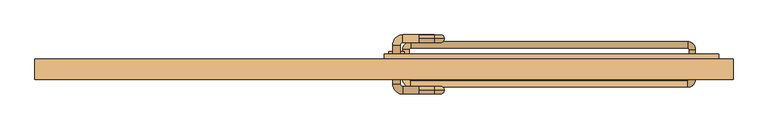
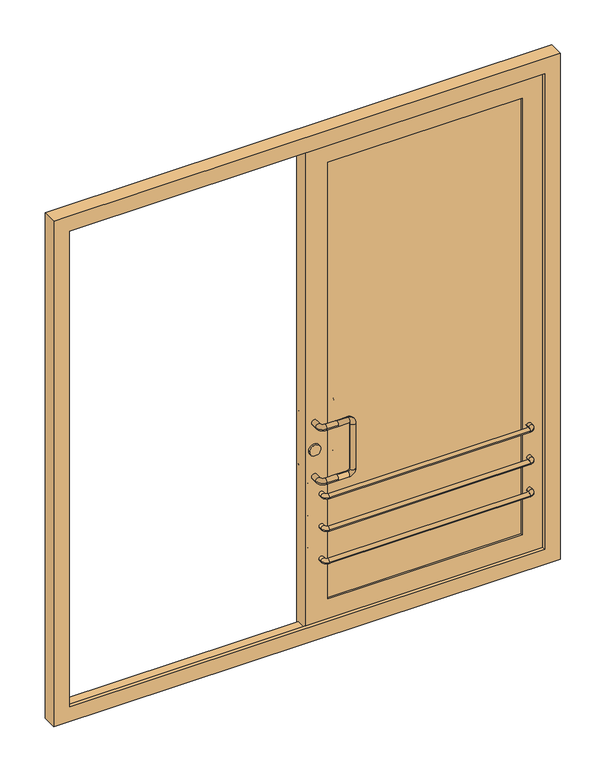
"""IFC4 building model written with IfcOpenShell, lengths in millimetres: door geometry."""

from ifc_helpers import new_model, si_unit, point, frame, frame_2d, origin, place, context, project, spatial, polyline, circle_curve, ellipse_curve, trimmed, segment, composite_curve, outline, extrude, faceted_brep, source, transform, mapped, element, save
from ifc_brep_helpers import cylinder_surface, revolved_surface, advanced_brep


def door_a14b544f(model_context):
    return source(origin(), model_context, "Body", "SolidModel", [
        advanced_brep(
        [(110.0, 109.5, 1000.0), (60.0, 109.5, 1000.0), (60.0, 85.5, 1000.0), (110.0, 85.5, 1000.0), (110.0, 97.5, 1012.0), (110.0, 97.5, 988.0), (28.0, 77.5, 1000.0), (52.0, 77.5, 1000.0), (28.0, -47.5, 1000.0), (52.0, -47.5, 1000.0), (60.0, -79.5, 1000.0), (60.0, -55.5, 1000.0), (110.0, -79.5, 1000.0), (110.0, -67.5, 1012.0), (110.0, -55.5, 1000.0), (110.0, -67.5, 988.0), (160.0, 97.5, 988.0), (160.0, 97.5, 1012.0), (168.0, 97.5, 980.0), (192.0, 97.5, 980.0), (168.0, 97.5, 770.0), (192.0, 97.5, 770.0), (160.0, 97.5, 762.0), (160.0, 97.5, 738.0), (110.0, 97.5, 762.0), (110.0, 85.5, 750.0), (110.0, 97.5, 738.0), (110.0, 109.5, 750.0), (60.0, 109.5, 750.0), (60.0, 85.5, 750.0), (28.0, 77.5, 750.0), (52.0, 77.5, 750.0), (28.0, -47.5, 750.0), (52.0, -47.5, 750.0), (60.0, -79.5, 750.0), (60.0, -55.5, 750.0), (110.0, -79.5, 750.0), (110.0, -67.5, 762.0), (110.0, -55.5, 750.0), (110.0, -67.5, 738.0), (160.0, -67.5, 988.0), (160.0, -67.5, 1012.0), (168.0, -67.5, 980.0), (192.0, -67.5, 980.0), (168.0, -67.5, 770.0), (192.0, -67.5, 770.0), (160.0, -67.5, 762.0), (160.0, -67.5, 738.0)],
        [
            (0, 1),
            (1, 2, circle_curve(frame((60.0, 97.5, 1000.0), z_axis=(1.0, 0.0, 0.0), x_axis=(0.0, -1.0, 0.0)), 12.0)),
            (2, 3),
            (3, 4, circle_curve(frame((110.0, 97.5, 1000.0), z_axis=(-1.0, 0.0, 0.0), x_axis=(0.0, -1.0, 0.0)), 12.0)),
            (4, 0, circle_curve(frame((110.0, 97.5, 1000.0), z_axis=(-1.0, 0.0, 0.0), x_axis=(0.0, -1.0, 0.0)), 12.0)),
            (0, 5, circle_curve(frame((110.0, 97.5, 1000.0), z_axis=(-1.0, 0.0, 0.0), x_axis=(0.0, -1.0, 0.0)), 12.0)),
            (5, 3, circle_curve(frame((110.0, 97.5, 1000.0), z_axis=(-1.0, 0.0, 0.0), x_axis=(0.0, -1.0, 0.0)), 12.0)),
            (2, 1, circle_curve(frame((60.0, 97.5, 1000.0), z_axis=(1.0, 0.0, 0.0), x_axis=(0.0, -1.0, 0.0)), 12.0)),
            (1, 6, circle_curve(frame((60.0, 77.5, 1000.0), z_axis=(0.0, 0.0, 1.0), x_axis=(0.0, 1.0, 0.0)), 32.0)),
            (6, 7, circle_curve(frame((40.0, 77.5, 1000.0), z_axis=(0.0, 1.0, 0.0), x_axis=(1.0, 0.0, 0.0)), 12.0)),
            (7, 2, circle_curve(frame((60.0, 77.5, 1000.0), z_axis=(0.0, 0.0, -1.0), x_axis=(0.0, 1.0, 0.0)), 8.0)),
            (7, 6, circle_curve(frame((40.0, 77.5, 1000.0), z_axis=(0.0, 1.0, 0.0), x_axis=(1.0, 0.0, 0.0)), 12.0)),
            (6, 8),
            (8, 9, circle_curve(frame((40.0, -47.5, 1000.0), z_axis=(0.0, 1.0, 0.0), x_axis=(1.0, 0.0, 0.0)), 12.0)),
            (9, 7),
            (9, 8, circle_curve(frame((40.0, -47.5, 1000.0), z_axis=(0.0, 1.0, 0.0), x_axis=(1.0, 0.0, 0.0)), 12.0)),
            (8, 10, circle_curve(frame((60.0, -47.5, 1000.0), z_axis=(0.0, 0.0, 1.0), x_axis=(-1.0, 0.0, 0.0)), 32.0)),
            (10, 11, circle_curve(frame((60.0, -67.5, 1000.0), z_axis=(-1.0, 0.0, 0.0), x_axis=(0.0, 1.0, 0.0)), 12.0)),
            (11, 9, circle_curve(frame((60.0, -47.5, 1000.0), z_axis=(0.0, 0.0, -1.0), x_axis=(-1.0, 0.0, 0.0)), 8.0)),
            (11, 10, circle_curve(frame((60.0, -67.5, 1000.0), z_axis=(-1.0, 0.0, 0.0), x_axis=(0.0, 1.0, 0.0)), 12.0)),
            (10, 12),
            (12, 13, circle_curve(frame((110.0, -67.5, 1000.0), z_axis=(-1.0, 0.0, 0.0), x_axis=(0.0, 1.0, 0.0)), 12.0)),
            (13, 14, circle_curve(frame((110.0, -67.5, 1000.0), z_axis=(-1.0, 0.0, 0.0), x_axis=(0.0, 1.0, 0.0)), 12.0)),
            (14, 11),
            (14, 15, circle_curve(frame((110.0, -67.5, 1000.0), z_axis=(-1.0, 0.0, 0.0), x_axis=(0.0, 1.0, 0.0)), 12.0)),
            (15, 12, circle_curve(frame((110.0, -67.5, 1000.0), z_axis=(-1.0, 0.0, 0.0), x_axis=(0.0, 1.0, 0.0)), 12.0)),
            (5, 16),
            (16, 17, circle_curve(frame((160.0, 97.5, 1000.0), z_axis=(-1.0, 0.0, 0.0), x_axis=(0.0, 0.0, 1.0)), 12.0)),
            (17, 4),
            (17, 16, circle_curve(frame((160.0, 97.5, 1000.0), z_axis=(-1.0, 0.0, 0.0), x_axis=(0.0, 0.0, 1.0)), 12.0)),
            (16, 18, circle_curve(frame((160.0, 97.5, 980.0), z_axis=(0.0, 1.0, 0.0), x_axis=(0.0, 0.0, 1.0)), 8.0)),
            (18, 19, circle_curve(frame((180.0, 97.5, 980.0), z_axis=(0.0, 0.0, 1.0), x_axis=(1.0, 0.0, 0.0)), 12.0)),
            (19, 17, circle_curve(frame((160.0, 97.5, 980.0), z_axis=(0.0, -1.0, 0.0), x_axis=(0.0, 0.0, 1.0)), 32.0)),
            (19, 18, circle_curve(frame((180.0, 97.5, 980.0), z_axis=(0.0, 0.0, 1.0), x_axis=(1.0, 0.0, 0.0)), 12.0)),
            (18, 20),
            (20, 21, circle_curve(frame((180.0, 97.5, 770.0), z_axis=(0.0, 0.0, 1.0), x_axis=(1.0, 0.0, 0.0)), 12.0)),
            (21, 19),
            (21, 20, circle_curve(frame((180.0, 97.5, 770.0), z_axis=(0.0, 0.0, 1.0), x_axis=(1.0, 0.0, 0.0)), 12.0)),
            (20, 22, circle_curve(frame((160.0, 97.5, 770.0), z_axis=(0.0, 1.0, 0.0), x_axis=(1.0, 0.0, 0.0)), 8.0)),
            (22, 23, circle_curve(frame((160.0, 97.5, 750.0), z_axis=(1.0, 0.0, 0.0), x_axis=(0.0, 0.0, -1.0)), 12.0)),
            (23, 21, circle_curve(frame((160.0, 97.5, 770.0), z_axis=(0.0, -1.0, 0.0), x_axis=(1.0, 0.0, 0.0)), 32.0)),
            (23, 22, circle_curve(frame((160.0, 97.5, 750.0), z_axis=(1.0, 0.0, 0.0), x_axis=(0.0, 0.0, -1.0)), 12.0)),
            (22, 24),
            (24, 25, circle_curve(frame((110.0, 97.5, 750.0), z_axis=(1.0, 0.0, 0.0), x_axis=(0.0, 0.0, -1.0)), 12.0)),
            (25, 26, circle_curve(frame((110.0, 97.5, 750.0), z_axis=(1.0, 0.0, 0.0), x_axis=(0.0, 0.0, -1.0)), 12.0)),
            (26, 23),
            (26, 27, circle_curve(frame((110.0, 97.5, 750.0), z_axis=(1.0, 0.0, 0.0), x_axis=(0.0, 0.0, -1.0)), 12.0)),
            (27, 24, circle_curve(frame((110.0, 97.5, 750.0), z_axis=(1.0, 0.0, 0.0), x_axis=(0.0, 0.0, -1.0)), 12.0)),
            (27, 28),
            (28, 29, circle_curve(frame((60.0, 97.5, 750.0), z_axis=(1.0, 0.0, 0.0), x_axis=(0.0, -1.0, 0.0)), 12.0)),
            (29, 25),
            (29, 28, circle_curve(frame((60.0, 97.5, 750.0), z_axis=(1.0, 0.0, 0.0), x_axis=(0.0, -1.0, 0.0)), 12.0)),
            (28, 30, circle_curve(frame((60.0, 77.5, 750.0), z_axis=(0.0, 0.0, 1.0), x_axis=(0.0, 1.0, 0.0)), 32.0)),
            (30, 31, circle_curve(frame((40.0, 77.5, 750.0), z_axis=(0.0, 1.0, 0.0), x_axis=(1.0, 0.0, 0.0)), 12.0)),
            (31, 29, circle_curve(frame((60.0, 77.5, 750.0), z_axis=(0.0, 0.0, -1.0), x_axis=(0.0, 1.0, 0.0)), 8.0)),
            (31, 30, circle_curve(frame((40.0, 77.5, 750.0), z_axis=(0.0, 1.0, 0.0), x_axis=(1.0, 0.0, 0.0)), 12.0)),
            (30, 32),
            (32, 33, circle_curve(frame((40.0, -47.5, 750.0), z_axis=(0.0, 1.0, 0.0), x_axis=(1.0, 0.0, 0.0)), 12.0)),
            (33, 31),
            (33, 32, circle_curve(frame((40.0, -47.5, 750.0), z_axis=(0.0, 1.0, 0.0), x_axis=(1.0, 0.0, 0.0)), 12.0)),
            (32, 34, circle_curve(frame((60.0, -47.5, 750.0), z_axis=(0.0, 0.0, 1.0), x_axis=(-1.0, 0.0, 0.0)), 32.0)),
            (34, 35, circle_curve(frame((60.0, -67.5, 750.0), z_axis=(-1.0, 0.0, 0.0), x_axis=(0.0, 1.0, 0.0)), 12.0)),
            (35, 33, circle_curve(frame((60.0, -47.5, 750.0), z_axis=(0.0, 0.0, -1.0), x_axis=(-1.0, 0.0, 0.0)), 8.0)),
            (35, 34, circle_curve(frame((60.0, -67.5, 750.0), z_axis=(-1.0, 0.0, 0.0), x_axis=(0.0, 1.0, 0.0)), 12.0)),
            (34, 36),
            (36, 37, circle_curve(frame((110.0, -67.5, 750.0), z_axis=(-1.0, 0.0, 0.0), x_axis=(0.0, 1.0, 0.0)), 12.0)),
            (37, 38, circle_curve(frame((110.0, -67.5, 750.0), z_axis=(-1.0, 0.0, 0.0), x_axis=(0.0, 1.0, 0.0)), 12.0)),
            (38, 35),
            (38, 39, circle_curve(frame((110.0, -67.5, 750.0), z_axis=(-1.0, 0.0, 0.0), x_axis=(0.0, 1.0, 0.0)), 12.0)),
            (39, 36, circle_curve(frame((110.0, -67.5, 750.0), z_axis=(-1.0, 0.0, 0.0), x_axis=(0.0, 1.0, 0.0)), 12.0)),
            (15, 40),
            (40, 41, circle_curve(frame((160.0, -67.5, 1000.0), z_axis=(-1.0, 0.0, 0.0), x_axis=(0.0, 0.0, 1.0)), 12.0)),
            (41, 13),
            (41, 40, circle_curve(frame((160.0, -67.5, 1000.0), z_axis=(-1.0, 0.0, 0.0), x_axis=(0.0, 0.0, 1.0)), 12.0)),
            (40, 42, circle_curve(frame((160.0, -67.5, 980.0), z_axis=(0.0, 1.0, 0.0), x_axis=(0.0, 0.0, 1.0)), 8.0)),
            (42, 43, circle_curve(frame((180.0, -67.5, 980.0), z_axis=(0.0, 0.0, 1.0), x_axis=(1.0, 0.0, 0.0)), 12.0)),
            (43, 41, circle_curve(frame((160.0, -67.5, 980.0), z_axis=(0.0, -1.0, 0.0), x_axis=(0.0, 0.0, 1.0)), 32.0)),
            (43, 42, circle_curve(frame((180.0, -67.5, 980.0), z_axis=(0.0, 0.0, 1.0), x_axis=(1.0, 0.0, 0.0)), 12.0)),
            (42, 44),
            (44, 45, circle_curve(frame((180.0, -67.5, 770.0), z_axis=(0.0, 0.0, 1.0), x_axis=(1.0, 0.0, 0.0)), 12.0)),
            (45, 43),
            (45, 44, circle_curve(frame((180.0, -67.5, 770.0), z_axis=(0.0, 0.0, 1.0), x_axis=(1.0, 0.0, 0.0)), 12.0)),
            (44, 46, circle_curve(frame((160.0, -67.5, 770.0), z_axis=(0.0, 1.0, 0.0), x_axis=(1.0, 0.0, 0.0)), 8.0)),
            (46, 47, circle_curve(frame((160.0, -67.5, 750.0), z_axis=(1.0, 0.0, 0.0), x_axis=(0.0, 0.0, -1.0)), 12.0)),
            (47, 45, circle_curve(frame((160.0, -67.5, 770.0), z_axis=(0.0, -1.0, 0.0), x_axis=(1.0, 0.0, 0.0)), 32.0)),
            (47, 46, circle_curve(frame((160.0, -67.5, 750.0), z_axis=(1.0, 0.0, 0.0), x_axis=(0.0, 0.0, -1.0)), 12.0)),
            (46, 37),
            (39, 47),
        ],
        [
            cylinder_surface(frame((110.0, 97.5, 1000.0), z_axis=(1.0, 0.0, 0.0), x_axis=(0.0, -1.0, 0.0)), 12.0),
            revolved_surface(trimmed(ellipse_curve(frame((60.0, 97.5, 1000.0), z_axis=(1.0, 0.0, 0.0), x_axis=(0.0, -1.0, 0.0)), 12.0, 12.0), [point((60.0, 109.5, 1000.0))], [point((60.0, 85.5, 1000.0))], True, "CARTESIAN"), (60.0, 77.5, 1000.0), (0.0, 0.0, 1.0)),
            revolved_surface(trimmed(ellipse_curve(frame((60.0, 97.5, 1000.0), z_axis=(1.0, 0.0, 0.0), x_axis=(0.0, -1.0, 0.0)), 12.0, 12.0), [point((60.0, 85.5, 1000.0))], [point((60.0, 109.5, 1000.0))], True, "CARTESIAN"), (60.0, 77.5, 1000.0), (0.0, 0.0, 1.0)),
            cylinder_surface(frame((40.0, 77.5, 1000.0), z_axis=(0.0, 1.0, 0.0), x_axis=(1.0, 0.0, 0.0)), 12.0),
            revolved_surface(trimmed(ellipse_curve(frame((40.0, -47.5, 1000.0), z_axis=(0.0, 1.0, 0.0), x_axis=(1.0, 0.0, 0.0)), 12.0, 12.0), [point((28.0, -47.5, 1000.0))], [point((52.0, -47.5, 1000.0))], True, "CARTESIAN"), (60.0, -47.5, 1000.0), (0.0, 0.0, 1.0)),
            revolved_surface(trimmed(ellipse_curve(frame((40.0, -47.5, 1000.0), z_axis=(0.0, 1.0, 0.0), x_axis=(1.0, 0.0, 0.0)), 12.0, 12.0), [point((52.0, -47.5, 1000.0))], [point((28.0, -47.5, 1000.0))], True, "CARTESIAN"), (60.0, -47.5, 1000.0), (0.0, 0.0, 1.0)),
            cylinder_surface(frame((60.0, -67.5, 1000.0), z_axis=(-1.0, 0.0, 0.0), x_axis=(0.0, 1.0, 0.0)), 12.0),
            cylinder_surface(frame((110.0, 97.5, 1000.0), z_axis=(-1.0, 0.0, 0.0), x_axis=(0.0, 0.0, 1.0)), 12.0),
            revolved_surface(trimmed(ellipse_curve(frame((160.0, 97.5, 1000.0), z_axis=(-1.0, 0.0, 0.0), x_axis=(0.0, 0.0, 1.0)), 12.0, 12.0), [point((160.0, 97.5, 988.0))], [point((160.0, 97.5, 1012.0))], True, "CARTESIAN"), (160.0, 97.5, 980.0), (0.0, 1.0, 0.0)),
            revolved_surface(trimmed(ellipse_curve(frame((160.0, 97.5, 1000.0), z_axis=(-1.0, 0.0, 0.0), x_axis=(0.0, 0.0, 1.0)), 12.0, 12.0), [point((160.0, 97.5, 1012.0))], [point((160.0, 97.5, 988.0))], True, "CARTESIAN"), (160.0, 97.5, 980.0), (0.0, 1.0, 0.0)),
            cylinder_surface(frame((180.0, 97.5, 980.0), z_axis=(0.0, 0.0, 1.0), x_axis=(1.0, 0.0, 0.0)), 12.0),
            revolved_surface(trimmed(ellipse_curve(frame((180.0, 97.5, 770.0), z_axis=(0.0, 0.0, 1.0), x_axis=(1.0, 0.0, 0.0)), 12.0, 12.0), [point((168.0, 97.5, 770.0))], [point((192.0, 97.5, 770.0))], True, "CARTESIAN"), (160.0, 97.5, 770.0), (0.0, 1.0, 0.0)),
            revolved_surface(trimmed(ellipse_curve(frame((180.0, 97.5, 770.0), z_axis=(0.0, 0.0, 1.0), x_axis=(1.0, 0.0, 0.0)), 12.0, 12.0), [point((192.0, 97.5, 770.0))], [point((168.0, 97.5, 770.0))], True, "CARTESIAN"), (160.0, 97.5, 770.0), (0.0, 1.0, 0.0)),
            cylinder_surface(frame((160.0, 97.5, 750.0), z_axis=(1.0, 0.0, 0.0), x_axis=(0.0, 0.0, -1.0)), 12.0),
            cylinder_surface(frame((110.0, 97.5, 750.0), z_axis=(1.0, 0.0, 0.0), x_axis=(0.0, -1.0, 0.0)), 12.0),
            revolved_surface(trimmed(ellipse_curve(frame((60.0, 97.5, 750.0), z_axis=(1.0, 0.0, 0.0), x_axis=(0.0, -1.0, 0.0)), 12.0, 12.0), [point((60.0, 109.5, 750.0))], [point((60.0, 85.5, 750.0))], True, "CARTESIAN"), (60.0, 77.5, 750.0), (0.0, 0.0, 1.0)),
            revolved_surface(trimmed(ellipse_curve(frame((60.0, 97.5, 750.0), z_axis=(1.0, 0.0, 0.0), x_axis=(0.0, -1.0, 0.0)), 12.0, 12.0), [point((60.0, 85.5, 750.0))], [point((60.0, 109.5, 750.0))], True, "CARTESIAN"), (60.0, 77.5, 750.0), (0.0, 0.0, 1.0)),
            cylinder_surface(frame((40.0, 77.5, 750.0), z_axis=(0.0, 1.0, 0.0), x_axis=(1.0, 0.0, 0.0)), 12.0),
            revolved_surface(trimmed(ellipse_curve(frame((40.0, -47.5, 750.0), z_axis=(0.0, 1.0, 0.0), x_axis=(1.0, 0.0, 0.0)), 12.0, 12.0), [point((28.0, -47.5, 750.0))], [point((52.0, -47.5, 750.0))], True, "CARTESIAN"), (60.0, -47.5, 750.0), (0.0, 0.0, 1.0)),
            revolved_surface(trimmed(ellipse_curve(frame((40.0, -47.5, 750.0), z_axis=(0.0, 1.0, 0.0), x_axis=(1.0, 0.0, 0.0)), 12.0, 12.0), [point((52.0, -47.5, 750.0))], [point((28.0, -47.5, 750.0))], True, "CARTESIAN"), (60.0, -47.5, 750.0), (0.0, 0.0, 1.0)),
            cylinder_surface(frame((60.0, -67.5, 750.0), z_axis=(-1.0, 0.0, 0.0), x_axis=(0.0, 1.0, 0.0)), 12.0),
            cylinder_surface(frame((110.0, -67.5, 1000.0), z_axis=(-1.0, 0.0, 0.0), x_axis=(0.0, 0.0, 1.0)), 12.0),
            revolved_surface(trimmed(ellipse_curve(frame((160.0, -67.5, 1000.0), z_axis=(-1.0, 0.0, 0.0), x_axis=(0.0, 0.0, 1.0)), 12.0, 12.0), [point((160.0, -67.5, 988.0))], [point((160.0, -67.5, 1012.0))], True, "CARTESIAN"), (160.0, -67.5, 980.0), (0.0, 1.0, 0.0)),
            revolved_surface(trimmed(ellipse_curve(frame((160.0, -67.5, 1000.0), z_axis=(-1.0, 0.0, 0.0), x_axis=(0.0, 0.0, 1.0)), 12.0, 12.0), [point((160.0, -67.5, 1012.0))], [point((160.0, -67.5, 988.0))], True, "CARTESIAN"), (160.0, -67.5, 980.0), (0.0, 1.0, 0.0)),
            cylinder_surface(frame((180.0, -67.5, 980.0), z_axis=(0.0, 0.0, 1.0), x_axis=(1.0, 0.0, 0.0)), 12.0),
            revolved_surface(trimmed(ellipse_curve(frame((180.0, -67.5, 770.0), z_axis=(0.0, 0.0, 1.0), x_axis=(1.0, 0.0, 0.0)), 12.0, 12.0), [point((168.0, -67.5, 770.0))], [point((192.0, -67.5, 770.0))], True, "CARTESIAN"), (160.0, -67.5, 770.0), (0.0, 1.0, 0.0)),
            revolved_surface(trimmed(ellipse_curve(frame((180.0, -67.5, 770.0), z_axis=(0.0, 0.0, 1.0), x_axis=(1.0, 0.0, 0.0)), 12.0, 12.0), [point((192.0, -67.5, 770.0))], [point((168.0, -67.5, 770.0))], True, "CARTESIAN"), (160.0, -67.5, 770.0), (0.0, 1.0, 0.0)),
            cylinder_surface(frame((160.0, -67.5, 750.0), z_axis=(1.0, 0.0, 0.0), x_axis=(0.0, 0.0, -1.0)), 12.0),
        ],
        [
            (0, [[1, 2, 3, 4, 5]]),
            (0, [[-1, 6, 7, -3, 8]]),
            (1, [[-2, 9, 10, 11]]),
            (2, [[-8, -11, 12, -9]]),
            (3, [[-10, 13, 14, 15]]),
            (3, [[-12, -15, 16, -13]]),
            (4, [[-14, 17, 18, 19]]),
            (5, [[-16, -19, 20, -17]]),
            (6, [[-18, 21, 22, 23, 24]]),
            (6, [[-20, -24, 25, 26, -21]]),
            (7, [[27, 28, 29, -4, -7]]),
            (7, [[-27, -6, -5, -29, 30]]),
            (8, [[-28, 31, 32, 33]]),
            (9, [[-30, -33, 34, -31]]),
            (10, [[-32, 35, 36, 37]]),
            (10, [[-34, -37, 38, -35]]),
            (11, [[-36, 39, 40, 41]]),
            (12, [[-38, -41, 42, -39]]),
            (13, [[-40, 43, 44, 45, 46]]),
            (13, [[-42, -46, 47, 48, -43]]),
            (14, [[49, 50, 51, -44, -48]]),
            (14, [[-49, -47, -45, -51, 52]]),
            (15, [[-50, 53, 54, 55]]),
            (16, [[-52, -55, 56, -53]]),
            (17, [[-54, 57, 58, 59]]),
            (17, [[-56, -59, 60, -57]]),
            (18, [[-58, 61, 62, 63]]),
            (19, [[-60, -63, 64, -61]]),
            (20, [[-62, 65, 66, 67, 68]]),
            (20, [[-64, -68, 69, 70, -65]]),
            (21, [[71, 72, 73, -22, -26]]),
            (21, [[-71, -25, -23, -73, 74]]),
            (22, [[-72, 75, 76, 77]]),
            (23, [[-74, -77, 78, -75]]),
            (24, [[-76, 79, 80, 81]]),
            (24, [[-78, -81, 82, -79]]),
            (25, [[-80, 83, 84, 85]]),
            (26, [[-82, -85, 86, -83]]),
            (27, [[-84, 87, -66, -70, 88]]),
            (27, [[-86, -88, -69, -67, -87]]),
        ],
    ),
        extrude(outline(composite_curve([segment(trimmed(circle_curve(frame_2d((875.0, 40.0)), 25.0), [point((875.0, 15.0))], [point((875.0, 65.0))], False, "CARTESIAN"), True, "CONTINUOUS"), segment(trimmed(circle_curve(frame_2d((875.0, 40.0)), 25.0), [point((875.0, 65.0))], [point((875.0, 15.0))], False, "CARTESIAN"), True, "CONTINUOUS")], self_intersect=False)), frame((0.0, -25.5, 0.0), z_axis=(0.0, 1.0, 0.0), x_axis=(0.0, 0.0, 1.0)), (0.0, 0.0, 1.0), 81.0),
        faceted_brep([(100.0, 47.5, 160.0), (100.0, -17.5, 160.0), (951.3125, -17.5, 160.0), (951.3125, 47.5, 160.0), (1066.3125, 47.5, 45.0), (1066.3125, 32.5, 45.0), (0.0, 32.5, 45.0), (0.0, 47.5, 45.0), (0.0, -17.5, 60.0), (0.0, 32.5, 60.0), (1051.3125, 32.5, 60.0), (1051.3125, -17.5, 60.0), (951.3125, -17.5, 2183.8125), (951.3125, 47.5, 2183.8125), (1066.3125, 47.5, 2298.8125), (1066.3125, 32.5, 2298.8125), (1051.3125, 32.5, 2283.8125), (1051.3125, -17.5, 2283.8125), (100.0, -17.5, 2183.8125), (100.0, 47.5, 2183.8125), (0.0, 47.5, 2298.8125), (0.0, 32.5, 2298.8125), (0.0, 32.5, 2283.8125), (0.0, -17.5, 2283.8125)], [[[0, 1, 2, 3]], [[4, 5, 6, 7]], [[8, 9, 10, 11]], [[3, 2, 12, 13]], [[5, 4, 14, 15]], [[11, 10, 16, 17]], [[13, 12, 18, 19]], [[15, 14, 20, 21]], [[17, 16, 22, 23]], [[1, 0, 19, 18]], [[14, 4, 7, 20], [0, 3, 13, 19]], [[10, 9, 6, 5, 15, 21, 22, 16]], [[9, 8, 23, 22, 21, 20, 7, 6]], [[8, 11, 17, 23], [2, 1, 18, 12]]]),
        advanced_brep(
        [(60.0, -32.5, 360.0), (80.0, -32.5, 360.0), (80.0, 62.5, 360.0), (60.0, 62.5, 360.0), (85.0, 87.5, 360.0), (85.0, 67.5, 360.0), (966.3125, 67.5, 360.0), (966.3125, 87.5, 360.0), (991.3125, 62.5, 360.0), (971.3125, 62.5, 360.0), (971.3125, -32.5, 360.0), (991.3125, -32.5, 360.0), (966.3125, -57.5, 360.0), (966.3125, -37.5, 360.0), (85.0, -37.5, 360.0), (85.0, -57.5, 360.0)],
        [
            (0, 1, circle_curve(frame((70.0, -32.5, 360.0), z_axis=(0.0, 1.0, 0.0), x_axis=(-1.0, 0.0, 0.0)), 10.0)),
            (1, 2),
            (2, 3, circle_curve(frame((70.0, 62.5, 360.0), z_axis=(0.0, -1.0, 0.0), x_axis=(-1.0, 0.0, 0.0)), 10.0)),
            (3, 0),
            (1, 0, circle_curve(frame((70.0, -32.5, 360.0), z_axis=(0.0, 1.0, 0.0), x_axis=(-1.0, 0.0, 0.0)), 10.0)),
            (3, 2, circle_curve(frame((70.0, 62.5, 360.0), z_axis=(0.0, -1.0, 0.0), x_axis=(-1.0, 0.0, 0.0)), 10.0)),
            (4, 3, circle_curve(frame((85.0, 62.5, 360.0), z_axis=(0.0, 0.0, 1.0), x_axis=(-1.0, 0.0, 0.0)), 25.0)),
            (2, 5, circle_curve(frame((85.0, 62.5, 360.0), z_axis=(0.0, 0.0, -1.0), x_axis=(-1.0, 0.0, 0.0)), 5.0)),
            (5, 4, circle_curve(frame((85.0, 77.5, 360.0), z_axis=(-1.0, 0.0, 0.0), x_axis=(0.0, 1.0, 0.0)), 10.0)),
            (4, 5, circle_curve(frame((85.0, 77.5, 360.0), z_axis=(-1.0, 0.0, 0.0), x_axis=(0.0, 1.0, 0.0)), 10.0)),
            (5, 6),
            (6, 7, circle_curve(frame((966.3125, 77.5, 360.0), z_axis=(-1.0, 0.0, 0.0), x_axis=(0.0, 1.0, 0.0)), 10.0)),
            (7, 4),
            (7, 6, circle_curve(frame((966.3125, 77.5, 360.0), z_axis=(-1.0, 0.0, 0.0), x_axis=(0.0, 1.0, 0.0)), 10.0)),
            (8, 7, circle_curve(frame((966.3125, 62.5, 360.0), z_axis=(0.0, 0.0, 1.0), x_axis=(0.0, 1.0, 0.0)), 25.0)),
            (6, 9, circle_curve(frame((966.3125, 62.5, 360.0), z_axis=(0.0, 0.0, -1.0), x_axis=(0.0, 1.0, 0.0)), 5.0)),
            (9, 8, circle_curve(frame((981.3125, 62.5, 360.0), z_axis=(0.0, 1.0, 0.0), x_axis=(1.0, 0.0, 0.0)), 10.0)),
            (8, 9, circle_curve(frame((981.3125, 62.5, 360.0), z_axis=(0.0, 1.0, 0.0), x_axis=(1.0, 0.0, 0.0)), 10.0)),
            (9, 10),
            (10, 11, circle_curve(frame((981.3125, -32.5, 360.0), z_axis=(0.0, 1.0, 0.0), x_axis=(1.0, 0.0, 0.0)), 10.0)),
            (11, 8),
            (11, 10, circle_curve(frame((981.3125, -32.5, 360.0), z_axis=(0.0, 1.0, 0.0), x_axis=(1.0, 0.0, 0.0)), 10.0)),
            (12, 11, circle_curve(frame((966.3125, -32.5, 360.0), z_axis=(0.0, 0.0, 1.0), x_axis=(1.0, 0.0, 0.0)), 25.0)),
            (10, 13, circle_curve(frame((966.3125, -32.5, 360.0), z_axis=(0.0, 0.0, -1.0), x_axis=(1.0, 0.0, 0.0)), 5.0)),
            (13, 12, circle_curve(frame((966.3125, -47.5, 360.0), z_axis=(1.0, 0.0, 0.0), x_axis=(0.0, -1.0, 0.0)), 10.0)),
            (12, 13, circle_curve(frame((966.3125, -47.5, 360.0), z_axis=(1.0, 0.0, 0.0), x_axis=(0.0, -1.0, 0.0)), 10.0)),
            (13, 14),
            (14, 15, circle_curve(frame((85.0, -47.5, 360.0), z_axis=(1.0, 0.0, 0.0), x_axis=(0.0, -1.0, 0.0)), 10.0)),
            (15, 12),
            (15, 14, circle_curve(frame((85.0, -47.5, 360.0), z_axis=(1.0, 0.0, 0.0), x_axis=(0.0, -1.0, 0.0)), 10.0)),
            (0, 15, circle_curve(frame((85.0, -32.5, 360.0), z_axis=(0.0, 0.0, 1.0), x_axis=(0.0, -1.0, 0.0)), 25.0)),
            (14, 1, circle_curve(frame((85.0, -32.5, 360.0), z_axis=(0.0, 0.0, -1.0), x_axis=(0.0, -1.0, 0.0)), 5.0)),
        ],
        [
            cylinder_surface(frame((70.0, -32.5, 360.0), z_axis=(0.0, -1.0, 0.0), x_axis=(-1.0, 0.0, 0.0)), 10.0),
            revolved_surface(trimmed(ellipse_curve(frame((70.0, 62.5, 360.0), z_axis=(0.0, -1.0, 0.0), x_axis=(-1.0, 0.0, 0.0)), 10.0, 10.0), [point((80.0, 62.5, 360.0))], [point((60.0, 62.5, 360.0))], True, "CARTESIAN"), (85.0, 62.5, 360.0), (0.0, 0.0, -1.0)),
            revolved_surface(trimmed(ellipse_curve(frame((70.0, 62.5, 360.0), z_axis=(0.0, -1.0, 0.0), x_axis=(-1.0, 0.0, 0.0)), 10.0, 10.0), [point((60.0, 62.5, 360.0))], [point((80.0, 62.5, 360.0))], True, "CARTESIAN"), (85.0, 62.5, 360.0), (0.0, 0.0, -1.0)),
            cylinder_surface(frame((85.0, 77.5, 360.0), z_axis=(-1.0, 0.0, 0.0), x_axis=(0.0, 1.0, 0.0)), 10.0),
            revolved_surface(trimmed(ellipse_curve(frame((966.3125, 77.5, 360.0), z_axis=(-1.0, 0.0, 0.0), x_axis=(0.0, 1.0, 0.0)), 10.0, 10.0), [point((966.3125, 67.5, 360.0))], [point((966.3125, 87.5, 360.0))], True, "CARTESIAN"), (966.3125, 62.5, 360.0), (0.0, 0.0, -1.0)),
            revolved_surface(trimmed(ellipse_curve(frame((966.3125, 77.5, 360.0), z_axis=(-1.0, 0.0, 0.0), x_axis=(0.0, 1.0, 0.0)), 10.0, 10.0), [point((966.3125, 87.5, 360.0))], [point((966.3125, 67.5, 360.0))], True, "CARTESIAN"), (966.3125, 62.5, 360.0), (0.0, 0.0, -1.0)),
            cylinder_surface(frame((981.3125, 62.5, 360.0), z_axis=(0.0, 1.0, 0.0), x_axis=(1.0, 0.0, 0.0)), 10.0),
            revolved_surface(trimmed(ellipse_curve(frame((981.3125, -32.5, 360.0), z_axis=(0.0, 1.0, 0.0), x_axis=(1.0, 0.0, 0.0)), 10.0, 10.0), [point((971.3125, -32.5, 360.0))], [point((991.3125, -32.5, 360.0))], True, "CARTESIAN"), (966.3125, -32.5, 360.0), (0.0, 0.0, -1.0)),
            revolved_surface(trimmed(ellipse_curve(frame((981.3125, -32.5, 360.0), z_axis=(0.0, 1.0, 0.0), x_axis=(1.0, 0.0, 0.0)), 10.0, 10.0), [point((991.3125, -32.5, 360.0))], [point((971.3125, -32.5, 360.0))], True, "CARTESIAN"), (966.3125, -32.5, 360.0), (0.0, 0.0, -1.0)),
            cylinder_surface(frame((966.3125, -47.5, 360.0), z_axis=(1.0, 0.0, 0.0), x_axis=(0.0, -1.0, 0.0)), 10.0),
            revolved_surface(trimmed(ellipse_curve(frame((85.0, -47.5, 360.0), z_axis=(1.0, 0.0, 0.0), x_axis=(0.0, -1.0, 0.0)), 10.0, 10.0), [point((85.0, -37.5, 360.0))], [point((85.0, -57.5, 360.0))], True, "CARTESIAN"), (85.0, -32.5, 360.0), (0.0, 0.0, -1.0)),
            revolved_surface(trimmed(ellipse_curve(frame((85.0, -47.5, 360.0), z_axis=(1.0, 0.0, 0.0), x_axis=(0.0, -1.0, 0.0)), 10.0, 10.0), [point((85.0, -57.5, 360.0))], [point((85.0, -37.5, 360.0))], True, "CARTESIAN"), (85.0, -32.5, 360.0), (0.0, 0.0, -1.0)),
        ],
        [
            (0, [[1, 2, 3, 4]]),
            (0, [[5, -4, 6, -2]]),
            (1, [[7, -3, 8, 9]]),
            (2, [[-8, -6, -7, 10]]),
            (3, [[-9, 11, 12, 13]]),
            (3, [[-10, -13, 14, -11]]),
            (4, [[15, -12, 16, 17]]),
            (5, [[-16, -14, -15, 18]]),
            (6, [[-17, 19, 20, 21]]),
            (6, [[-18, -21, 22, -19]]),
            (7, [[23, -20, 24, 25]]),
            (8, [[-24, -22, -23, 26]]),
            (9, [[-25, 27, 28, 29]]),
            (9, [[-26, -29, 30, -27]]),
            (10, [[31, -28, 32, -1]]),
            (11, [[-32, -30, -31, -5]]),
        ],
    ),
        advanced_brep(
        [(60.0, -32.5, 510.0), (80.0, -32.5, 510.0), (80.0, 62.5, 510.0), (60.0, 62.5, 510.0), (85.0, 87.5, 510.0), (85.0, 67.5, 510.0), (966.3125, 67.5, 510.0), (966.3125, 87.5, 510.0), (991.3125, 62.5, 510.0), (971.3125, 62.5, 510.0), (971.3125, -32.5, 510.0), (991.3125, -32.5, 510.0), (966.3125, -57.5, 510.0), (966.3125, -37.5, 510.0), (85.0, -37.5, 510.0), (85.0, -57.5, 510.0)],
        [
            (0, 1, circle_curve(frame((70.0, -32.5, 510.0), z_axis=(0.0, 1.0, 0.0), x_axis=(-1.0, 0.0, 0.0)), 10.0)),
            (1, 2),
            (2, 3, circle_curve(frame((70.0, 62.5, 510.0), z_axis=(0.0, -1.0, 0.0), x_axis=(-1.0, 0.0, 0.0)), 10.0)),
            (3, 0),
            (1, 0, circle_curve(frame((70.0, -32.5, 510.0), z_axis=(0.0, 1.0, 0.0), x_axis=(-1.0, 0.0, 0.0)), 10.0)),
            (3, 2, circle_curve(frame((70.0, 62.5, 510.0), z_axis=(0.0, -1.0, 0.0), x_axis=(-1.0, 0.0, 0.0)), 10.0)),
            (4, 3, circle_curve(frame((85.0, 62.5, 510.0), z_axis=(0.0, 0.0, 1.0), x_axis=(-1.0, 0.0, 0.0)), 25.0)),
            (2, 5, circle_curve(frame((85.0, 62.5, 510.0), z_axis=(0.0, 0.0, -1.0), x_axis=(-1.0, 0.0, 0.0)), 5.0)),
            (5, 4, circle_curve(frame((85.0, 77.5, 510.0), z_axis=(-1.0, 0.0, 0.0), x_axis=(0.0, 1.0, 0.0)), 10.0)),
            (4, 5, circle_curve(frame((85.0, 77.5, 510.0), z_axis=(-1.0, 0.0, 0.0), x_axis=(0.0, 1.0, 0.0)), 10.0)),
            (5, 6),
            (6, 7, circle_curve(frame((966.3125, 77.5, 510.0), z_axis=(-1.0, 0.0, 0.0), x_axis=(0.0, 1.0, 0.0)), 10.0)),
            (7, 4),
            (7, 6, circle_curve(frame((966.3125, 77.5, 510.0), z_axis=(-1.0, 0.0, 0.0), x_axis=(0.0, 1.0, 0.0)), 10.0)),
            (8, 7, circle_curve(frame((966.3125, 62.5, 510.0), z_axis=(0.0, 0.0, 1.0), x_axis=(0.0, 1.0, 0.0)), 25.0)),
            (6, 9, circle_curve(frame((966.3125, 62.5, 510.0), z_axis=(0.0, 0.0, -1.0), x_axis=(0.0, 1.0, 0.0)), 5.0)),
            (9, 8, circle_curve(frame((981.3125, 62.5, 510.0), z_axis=(0.0, 1.0, 0.0), x_axis=(1.0, 0.0, 0.0)), 10.0)),
            (8, 9, circle_curve(frame((981.3125, 62.5, 510.0), z_axis=(0.0, 1.0, 0.0), x_axis=(1.0, 0.0, 0.0)), 10.0)),
            (9, 10),
            (10, 11, circle_curve(frame((981.3125, -32.5, 510.0), z_axis=(0.0, 1.0, 0.0), x_axis=(1.0, 0.0, 0.0)), 10.0)),
            (11, 8),
            (11, 10, circle_curve(frame((981.3125, -32.5, 510.0), z_axis=(0.0, 1.0, 0.0), x_axis=(1.0, 0.0, 0.0)), 10.0)),
            (12, 11, circle_curve(frame((966.3125, -32.5, 510.0), z_axis=(0.0, 0.0, 1.0), x_axis=(1.0, 1.264444445123043e-12, 0.0)), 25.0)),
            (10, 13, circle_curve(frame((966.3125, -32.5, 510.0), z_axis=(0.0, 0.0, -1.0), x_axis=(1.0, 1.264444445123043e-12, 0.0)), 5.0)),
            (13, 12, circle_curve(frame((966.3125, -47.5, 510.0), z_axis=(1.0, 0.0, 0.0), x_axis=(0.0, -1.0, 0.0)), 10.0)),
            (12, 13, circle_curve(frame((966.3125, -47.5, 510.0), z_axis=(1.0, 0.0, 0.0), x_axis=(0.0, -1.0, 0.0)), 10.0)),
            (13, 14),
            (14, 15, circle_curve(frame((85.0, -47.5, 510.0), z_axis=(1.0, 0.0, 0.0), x_axis=(0.0, -1.0, 0.0)), 10.0)),
            (15, 12),
            (15, 14, circle_curve(frame((85.0, -47.5, 510.0), z_axis=(1.0, 0.0, 0.0), x_axis=(0.0, -1.0, 0.0)), 10.0)),
            (0, 15, circle_curve(frame((85.0, -32.5, 510.0), z_axis=(0.0, 0.0, 1.0), x_axis=(0.0, -1.0, 0.0)), 25.0)),
            (14, 1, circle_curve(frame((85.0, -32.5, 510.0), z_axis=(0.0, 0.0, -1.0), x_axis=(0.0, -1.0, 0.0)), 5.0)),
        ],
        [
            cylinder_surface(frame((70.0, -32.5, 510.0), z_axis=(0.0, -1.0, 0.0), x_axis=(-1.0, 0.0, 0.0)), 10.0),
            revolved_surface(trimmed(ellipse_curve(frame((70.0, 62.5, 510.0), z_axis=(0.0, -1.0, 0.0), x_axis=(-1.0, 0.0, 0.0)), 10.0, 10.0), [point((80.0, 62.5, 510.0))], [point((60.0, 62.5, 510.0))], True, "CARTESIAN"), (85.0, 62.5, 510.0), (0.0, 0.0, -1.0)),
            revolved_surface(trimmed(ellipse_curve(frame((70.0, 62.5, 510.0), z_axis=(0.0, -1.0, 0.0), x_axis=(-1.0, 0.0, 0.0)), 10.0, 10.0), [point((60.0, 62.5, 510.0))], [point((80.0, 62.5, 510.0))], True, "CARTESIAN"), (85.0, 62.5, 510.0), (0.0, 0.0, -1.0)),
            cylinder_surface(frame((85.0, 77.5, 510.0), z_axis=(-1.0, 0.0, 0.0), x_axis=(0.0, 1.0, 0.0)), 10.0),
            revolved_surface(trimmed(ellipse_curve(frame((966.3125, 77.5, 510.0), z_axis=(-1.0, 0.0, 0.0), x_axis=(0.0, 1.0, 0.0)), 10.0, 10.0), [point((966.3125, 67.5, 510.0))], [point((966.3125, 87.5, 510.0))], True, "CARTESIAN"), (966.3125, 62.5, 510.0), (0.0, 0.0, -1.0)),
            revolved_surface(trimmed(ellipse_curve(frame((966.3125, 77.5, 510.0), z_axis=(-1.0, 0.0, 0.0), x_axis=(0.0, 1.0, 0.0)), 10.0, 10.0), [point((966.3125, 87.5, 510.0))], [point((966.3125, 67.5, 510.0))], True, "CARTESIAN"), (966.3125, 62.5, 510.0), (0.0, 0.0, -1.0)),
            cylinder_surface(frame((981.3125, 62.5, 510.0), z_axis=(0.0, 1.0, 0.0), x_axis=(1.0, 0.0, 0.0)), 10.0),
            revolved_surface(trimmed(ellipse_curve(frame((981.3125, -32.5, 510.0), z_axis=(-1.2644444451230432e-12, 1.0, 0.0), x_axis=(1.0, 1.2644444451230432e-12, 0.0)), 10.0, 10.0), [point((971.3125, -32.5, 510.0))], [point((991.3125, -32.5, 510.0))], True, "CARTESIAN"), (966.3125, -32.5, 510.0), (0.0, 0.0, -1.0)),
            revolved_surface(trimmed(ellipse_curve(frame((981.3125, -32.5, 510.0), z_axis=(-1.2644444451230432e-12, 1.0, 0.0), x_axis=(1.0, 1.2644444451230432e-12, 0.0)), 10.0, 10.0), [point((991.3125, -32.5, 510.0))], [point((971.3125, -32.5, 510.0))], True, "CARTESIAN"), (966.3125, -32.5, 510.0), (0.0, 0.0, -1.0)),
            cylinder_surface(frame((966.3125, -47.5, 510.0), z_axis=(1.0, 0.0, 0.0), x_axis=(0.0, -1.0, 0.0)), 10.0),
            revolved_surface(trimmed(ellipse_curve(frame((85.0, -47.5, 510.0), z_axis=(1.0, 0.0, 0.0), x_axis=(0.0, -1.0, 0.0)), 10.0, 10.0), [point((85.0, -37.5, 510.0))], [point((85.0, -57.5, 510.0))], True, "CARTESIAN"), (85.0, -32.5, 510.0), (0.0, 0.0, -1.0)),
            revolved_surface(trimmed(ellipse_curve(frame((85.0, -47.5, 510.0), z_axis=(1.0, 0.0, 0.0), x_axis=(0.0, -1.0, 0.0)), 10.0, 10.0), [point((85.0, -57.5, 510.0))], [point((85.0, -37.5, 510.0))], True, "CARTESIAN"), (85.0, -32.5, 510.0), (0.0, 0.0, -1.0)),
        ],
        [
            (0, [[1, 2, 3, 4]]),
            (0, [[5, -4, 6, -2]]),
            (1, [[7, -3, 8, 9]]),
            (2, [[-8, -6, -7, 10]]),
            (3, [[-9, 11, 12, 13]]),
            (3, [[-10, -13, 14, -11]]),
            (4, [[15, -12, 16, 17]]),
            (5, [[-16, -14, -15, 18]]),
            (6, [[-17, 19, 20, 21]]),
            (6, [[-18, -21, 22, -19]]),
            (7, [[23, -20, 24, 25]]),
            (8, [[-24, -22, -23, 26]]),
            (9, [[-25, 27, 28, 29]]),
            (9, [[-26, -29, 30, -27]]),
            (10, [[31, -28, 32, -1]]),
            (11, [[-32, -30, -31, -5]]),
        ],
    ),
        advanced_brep(
        [(60.0, -32.5, 660.0), (80.0, -32.5, 660.0), (80.0, 62.5, 660.0), (60.0, 62.5, 660.0), (85.0, 87.5, 660.0), (85.0, 67.5, 660.0), (966.3125, 67.5, 660.0), (966.3125, 87.5, 660.0), (991.3125, 62.5, 660.0), (971.3125, 62.5, 660.0), (971.3125, -32.5, 660.0), (991.3125, -32.5, 660.0), (966.3125, -57.5, 660.0), (966.3125, -37.5, 660.0), (85.0, -37.5, 660.0), (85.0, -57.5, 660.0)],
        [
            (0, 1, circle_curve(frame((70.0, -32.5, 660.0), z_axis=(0.0, 1.0, 0.0), x_axis=(-1.0, 0.0, 0.0)), 10.0)),
            (1, 2),
            (2, 3, circle_curve(frame((70.0, 62.5, 660.0), z_axis=(0.0, -1.0, 0.0), x_axis=(-1.0, 0.0, 0.0)), 10.0)),
            (3, 0),
            (1, 0, circle_curve(frame((70.0, -32.5, 660.0), z_axis=(0.0, 1.0, 0.0), x_axis=(-1.0, 0.0, 0.0)), 10.0)),
            (3, 2, circle_curve(frame((70.0, 62.5, 660.0), z_axis=(0.0, -1.0, 0.0), x_axis=(-1.0, 0.0, 0.0)), 10.0)),
            (4, 3, circle_curve(frame((85.0, 62.5, 660.0), z_axis=(0.0, 0.0, 1.0), x_axis=(-1.0, 0.0, 0.0)), 25.0)),
            (2, 5, circle_curve(frame((85.0, 62.5, 660.0), z_axis=(0.0, 0.0, -1.0), x_axis=(-1.0, 0.0, 0.0)), 5.0)),
            (5, 4, circle_curve(frame((85.0, 77.5, 660.0), z_axis=(-1.0, 0.0, 0.0), x_axis=(0.0, 1.0, 0.0)), 10.0)),
            (4, 5, circle_curve(frame((85.0, 77.5, 660.0), z_axis=(-1.0, 0.0, 0.0), x_axis=(0.0, 1.0, 0.0)), 10.0)),
            (5, 6),
            (6, 7, circle_curve(frame((966.3125, 77.5, 660.0), z_axis=(-1.0, 0.0, 0.0), x_axis=(0.0, 1.0, 0.0)), 10.0)),
            (7, 4),
            (7, 6, circle_curve(frame((966.3125, 77.5, 660.0), z_axis=(-1.0, 0.0, 0.0), x_axis=(0.0, 1.0, 0.0)), 10.0)),
            (8, 7, circle_curve(frame((966.3125, 62.5, 660.0), z_axis=(0.0, 0.0, 1.0), x_axis=(0.0, 1.0, 0.0)), 25.0)),
            (6, 9, circle_curve(frame((966.3125, 62.5, 660.0), z_axis=(0.0, 0.0, -1.0), x_axis=(0.0, 1.0, 0.0)), 5.0)),
            (9, 8, circle_curve(frame((981.3125, 62.5, 660.0), z_axis=(0.0, 1.0, 0.0), x_axis=(1.0, 0.0, 0.0)), 10.0)),
            (8, 9, circle_curve(frame((981.3125, 62.5, 660.0), z_axis=(0.0, 1.0, 0.0), x_axis=(1.0, 0.0, 0.0)), 10.0)),
            (9, 10),
            (10, 11, circle_curve(frame((981.3125, -32.5, 660.0), z_axis=(0.0, 1.0, 0.0), x_axis=(1.0, 0.0, 0.0)), 10.0)),
            (11, 8),
            (11, 10, circle_curve(frame((981.3125, -32.5, 660.0), z_axis=(0.0, 1.0, 0.0), x_axis=(1.0, 0.0, 0.0)), 10.0)),
            (12, 11, circle_curve(frame((966.3125, -32.5, 660.0), z_axis=(0.0, 0.0, 1.0), x_axis=(1.0, 1.5353388631315812e-12, 0.0)), 25.0)),
            (10, 13, circle_curve(frame((966.3125, -32.5, 660.0), z_axis=(0.0, 0.0, -1.0), x_axis=(1.0, 1.5353388631315812e-12, 0.0)), 5.0)),
            (13, 12, circle_curve(frame((966.3125, -47.5, 660.0), z_axis=(1.0, 0.0, 0.0), x_axis=(0.0, -1.0, 0.0)), 10.0)),
            (12, 13, circle_curve(frame((966.3125, -47.5, 660.0), z_axis=(1.0, 0.0, 0.0), x_axis=(0.0, -1.0, 0.0)), 10.0)),
            (13, 14),
            (14, 15, circle_curve(frame((85.0, -47.5, 660.0), z_axis=(1.0, 0.0, 0.0), x_axis=(0.0, -1.0, 0.0)), 10.0)),
            (15, 12),
            (15, 14, circle_curve(frame((85.0, -47.5, 660.0), z_axis=(1.0, 0.0, 0.0), x_axis=(0.0, -1.0, 0.0)), 10.0)),
            (0, 15, circle_curve(frame((85.0, -32.5, 660.0), z_axis=(0.0, 0.0, 1.0), x_axis=(0.0, -1.0, 0.0)), 25.0)),
            (14, 1, circle_curve(frame((85.0, -32.5, 660.0), z_axis=(0.0, 0.0, -1.0), x_axis=(0.0, -1.0, 0.0)), 5.0)),
        ],
        [
            cylinder_surface(frame((70.0, -32.5, 660.0), z_axis=(0.0, -1.0, 0.0), x_axis=(-1.0, 0.0, 0.0)), 10.0),
            revolved_surface(trimmed(ellipse_curve(frame((70.0, 62.5, 660.0), z_axis=(0.0, -1.0, 0.0), x_axis=(-1.0, 0.0, 0.0)), 10.0, 10.0), [point((80.0, 62.5, 660.0))], [point((60.0, 62.5, 660.0))], True, "CARTESIAN"), (85.0, 62.5, 660.0), (0.0, 0.0, -1.0)),
            revolved_surface(trimmed(ellipse_curve(frame((70.0, 62.5, 660.0), z_axis=(0.0, -1.0, 0.0), x_axis=(-1.0, 0.0, 0.0)), 10.0, 10.0), [point((60.0, 62.5, 660.0))], [point((80.0, 62.5, 660.0))], True, "CARTESIAN"), (85.0, 62.5, 660.0), (0.0, 0.0, -1.0)),
            cylinder_surface(frame((85.0, 77.5, 660.0), z_axis=(-1.0, 0.0, 0.0), x_axis=(0.0, 1.0, 0.0)), 10.0),
            revolved_surface(trimmed(ellipse_curve(frame((966.3125, 77.5, 660.0), z_axis=(-1.0, 0.0, 0.0), x_axis=(0.0, 1.0, 0.0)), 10.0, 10.0), [point((966.3125, 67.5, 660.0))], [point((966.3125, 87.5, 660.0))], True, "CARTESIAN"), (966.3125, 62.5, 660.0), (0.0, 0.0, -1.0)),
            revolved_surface(trimmed(ellipse_curve(frame((966.3125, 77.5, 660.0), z_axis=(-1.0, 0.0, 0.0), x_axis=(0.0, 1.0, 0.0)), 10.0, 10.0), [point((966.3125, 87.5, 660.0))], [point((966.3125, 67.5, 660.0))], True, "CARTESIAN"), (966.3125, 62.5, 660.0), (0.0, 0.0, -1.0)),
            cylinder_surface(frame((981.3125, 62.5, 660.0), z_axis=(0.0, 1.0, 0.0), x_axis=(1.0, 0.0, 0.0)), 10.0),
            revolved_surface(trimmed(ellipse_curve(frame((981.3125, -32.5, 660.0), z_axis=(-1.5353388631315812e-12, 1.0, 0.0), x_axis=(1.0, 1.5353388631315812e-12, 0.0)), 10.0, 10.0), [point((971.3125, -32.5, 660.0))], [point((991.3125, -32.5, 660.0))], True, "CARTESIAN"), (966.3125, -32.5, 660.0), (0.0, 0.0, -1.0)),
            revolved_surface(trimmed(ellipse_curve(frame((981.3125, -32.5, 660.0), z_axis=(-1.5353388631315812e-12, 1.0, 0.0), x_axis=(1.0, 1.5353388631315812e-12, 0.0)), 10.0, 10.0), [point((991.3125, -32.5, 660.0))], [point((971.3125, -32.5, 660.0))], True, "CARTESIAN"), (966.3125, -32.5, 660.0), (0.0, 0.0, -1.0)),
            cylinder_surface(frame((966.3125, -47.5, 660.0), z_axis=(1.0, 0.0, 0.0), x_axis=(0.0, -1.0, 0.0)), 10.0),
            revolved_surface(trimmed(ellipse_curve(frame((85.0, -47.5, 660.0), z_axis=(1.0, 0.0, 0.0), x_axis=(0.0, -1.0, 0.0)), 10.0, 10.0), [point((85.0, -37.5, 660.0))], [point((85.0, -57.5, 660.0))], True, "CARTESIAN"), (85.0, -32.5, 660.0), (0.0, 0.0, -1.0)),
            revolved_surface(trimmed(ellipse_curve(frame((85.0, -47.5, 660.0), z_axis=(1.0, 0.0, 0.0), x_axis=(0.0, -1.0, 0.0)), 10.0, 10.0), [point((85.0, -57.5, 660.0))], [point((85.0, -37.5, 660.0))], True, "CARTESIAN"), (85.0, -32.5, 660.0), (0.0, 0.0, -1.0)),
        ],
        [
            (0, [[1, 2, 3, 4]]),
            (0, [[5, -4, 6, -2]]),
            (1, [[7, -3, 8, 9]]),
            (2, [[-8, -6, -7, 10]]),
            (3, [[-9, 11, 12, 13]]),
            (3, [[-10, -13, 14, -11]]),
            (4, [[15, -12, 16, 17]]),
            (5, [[-16, -14, -15, 18]]),
            (6, [[-17, 19, 20, 21]]),
            (6, [[-18, -21, 22, -19]]),
            (7, [[23, -20, 24, 25]]),
            (8, [[-24, -22, -23, 26]]),
            (9, [[-25, 27, 28, 29]]),
            (9, [[-26, -29, 30, -27]]),
            (10, [[31, -28, 32, -1]]),
            (11, [[-32, -30, -31, -5]]),
        ],
    ),
        extrude(outline(polyline([(100.0, 24.5), (951.3125, 24.5), (951.3125, -9.5), (100.0, -9.5), (100.0, 24.5)])), frame((0.0, 0.0, 160.0), z_axis=(0.0, 0.0, 1.0), x_axis=(1.0, 0.0, 0.0)), (0.0, 0.0, 1.0), 2023.8125),
        faceted_brep([(1051.3125, -17.5, 60.0), (1051.3125, 32.5, 60.0), (-1051.3125, 32.5, 60.0), (-1051.3125, -17.5, 60.0), (1041.3125, -32.5, 70.0), (1041.3125, -17.5, 70.0), (-1041.3125, -17.5, 70.0), (-1041.3125, -32.5, 70.0), (1111.3125, 32.5, 0.0), (1111.3125, -32.5, 0.0), (-1111.3125, -32.5, 0.0), (-1111.3125, 32.5, 0.0), (-1051.3125, 32.5, 2283.8125), (-1051.3125, -17.5, 2283.8125), (-1041.3125, -17.5, 2273.8125), (-1041.3125, -32.5, 2273.8125), (-1111.3125, -32.5, 2343.8125), (-1111.3125, 32.5, 2343.8125), (1051.3125, 32.5, 2283.8125), (1051.3125, -17.5, 2283.8125), (1041.3125, -17.5, 2273.8125), (1041.3125, -32.5, 2273.8125), (1111.3125, -32.5, 2343.8125), (1111.3125, 32.5, 2343.8125)], [[[0, 1, 2, 3]], [[4, 5, 6, 7]], [[8, 9, 10, 11]], [[3, 2, 12, 13]], [[7, 6, 14, 15]], [[11, 10, 16, 17]], [[13, 12, 18, 19]], [[15, 14, 20, 21]], [[17, 16, 22, 23]], [[11, 17, 23, 8], [1, 18, 12, 2]], [[19, 18, 1, 0]], [[3, 13, 19, 0], [5, 20, 14, 6]], [[21, 20, 5, 4]], [[9, 22, 16, 10], [7, 15, 21, 4]], [[23, 22, 9, 8]]]),
    ])


if __name__ == "__main__":
    model = new_model("IFC4")
    model_context = context("Model", 3, world=origin())
    ifc_project = project(units=[si_unit("LENGTHUNIT", "METRE", prefix="MILLI")], contexts=[model_context])
    site = spatial("IfcSite", under=ifc_project)
    building = spatial("IfcBuilding", under=site)
    placement = place(None, origin())
    door_shape = door_a14b544f(model_context)
    element("IfcDoor", 1, at=placement, inside=building, context=model_context, shape_type="MappedRepresentation", body=[
        mapped(door_shape, transform((0.0, 0.0, 0.0), x_axis=(1.0, 0.0, 0.0), y_axis=(0.0, 1.0, 0.0), z_axis=(0.0, 0.0, 1.0))),
    ])
    save(model, "model.ifc")
